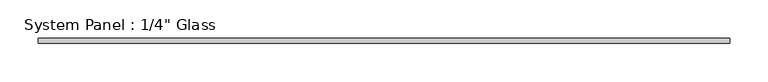
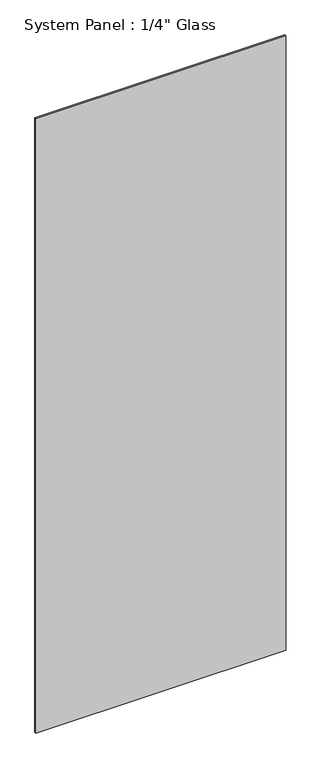
"""IFC4 building model written with IfcOpenShell, lengths in millimetres: plate geometry."""

import ifcopenshell
import ifcopenshell.guid

model = None  # the IFC model being written
_history = None  # IfcOwnerHistory: only IFC2X3 demands one
_inside = {}  # id of a spatial element -> (the spatial element, [elements in it])
_under = {}  # id of a project, library or spatial element -> (it, [spatial elements below it])
_declared = {}  # id of a project -> (the project, [libraries it declares])
_typed = {}  # id of a type object -> (the type object, [elements of that type])
_made_of = {}  # id of a material, layer set ... -> (it, [elements and type objects made of it])


def new_model(schema):
    """Start an empty IFC model of exactly this schema.

    Asked for "IFC4X3", IfcOpenShell would pick the latest addendum, in which some entities
    have other attributes; the version numbers below select the first issue.
    IFC2X3 requires an IfcOwnerHistory on every rooted entity: one is made here for all.
    """
    global model, _history
    if schema == "IFC4X3":
        model = ifcopenshell.file(schema_version=(4, 3, 0, 0))
    else:
        model = ifcopenshell.file(schema=schema)
    _inside.clear()
    _under.clear()
    _declared.clear()
    _typed.clear()
    _made_of.clear()
    _history = None
    if model.schema == "IFC2X3":
        org = make("IfcOrganization", Name="unknown")
        user = make(
            "IfcPersonAndOrganization",
            ThePerson=make("IfcPerson", FamilyName="unknown"),
            TheOrganization=org,
        )
        app = make(
            "IfcApplication",
            ApplicationDeveloper=org,
            Version="unknown",
            ApplicationFullName="unknown",
            ApplicationIdentifier="unknown",
        )
        _history = make(
            "IfcOwnerHistory",
            OwningUser=user,
            OwningApplication=app,
            ChangeAction="ADDED",
            CreationDate=0,
        )
    return model


def make(cls, **values):
    """One entity of the class cls with the attributes given. An attribute that is None is left unset."""
    return model.create_entity(
        cls, **{name: value for name, value in values.items() if value is not None}
    )


def rooted(cls, **values):
    """An entity with a GlobalId (a new one), such as an element, a storey or a relation."""
    return make(cls, GlobalId=ifcopenshell.guid.new(), OwnerHistory=_history, **values)


def si_unit(unit_type, name, prefix=None):
    """IfcSIUnit, for example si_unit("LENGTHUNIT", "METRE", prefix="MILLI")."""
    return make("IfcSIUnit", UnitType=unit_type, Prefix=prefix, Name=name)


def assignment(units):
    """IfcUnitAssignment: the units of a project."""
    return None if units is None else make("IfcUnitAssignment", Units=units)


def point(xyz):
    """IfcCartesianPoint."""
    return None if xyz is None else make("IfcCartesianPoint", Coordinates=xyz)


def direction(xyz):
    """IfcDirection."""
    return None if xyz is None else make("IfcDirection", DirectionRatios=xyz)


def frame(location, z_axis=None, x_axis=None):
    """IfcAxis2Placement3D, a coordinate frame: its origin and axes. An axis left out is left unset."""
    return make(
        "IfcAxis2Placement3D",
        Location=point(location),
        Axis=direction(z_axis),
        RefDirection=direction(x_axis),
    )


def origin():
    """The frame at (0, 0, 0) with its axes left unset."""
    return frame((0.0, 0.0, 0.0))


def origin_with_axes():
    """The frame at (0, 0, 0) with the z axis (0, 0, 1) and the x axis (1, 0, 0) written out."""
    return frame((0.0, 0.0, 0.0), z_axis=(0.0, 0.0, 1.0), x_axis=(1.0, 0.0, 0.0))


def place(relative_to, where):
    """IfcLocalPlacement: puts the frame where relative to a parent placement (None: the world)."""
    return make(
        "IfcLocalPlacement", PlacementRelTo=relative_to, RelativePlacement=where
    )


def context(
    kind, dimensions, precision=None, world=None, true_north=None, identifier=None
):
    """IfcGeometricRepresentationContext, for example the 3D "Model" context."""
    return make(
        "IfcGeometricRepresentationContext",
        ContextIdentifier=identifier,
        ContextType=kind,
        CoordinateSpaceDimension=dimensions,
        Precision=precision,
        WorldCoordinateSystem=world,
        TrueNorth=true_north,
    )


def project(units=None, contexts=None):
    """IfcProject with its units and contexts."""
    return rooted(
        "IfcProject",
        Name="project",
        RepresentationContexts=contexts,
        UnitsInContext=assignment(units),
    )


def spatial(cls, under=None, at=None, **own):
    """A site, building, storey or space (cls), placed at a placement, below another one or the project."""
    s = rooted(cls, ObjectPlacement=at, **own)
    if under is not None:
        _under.setdefault(under.id(), (under, []))[1].append(s)
    return s


def polyline(points):
    """IfcPolyline through the points."""
    return make("IfcPolyline", Points=[point(p) for p in points])


def outline(outer, holes=None, kind="AREA"):
    """IfcArbitraryClosedProfileDef: a profile drawn as a closed curve; with holes, ...WithVoids."""
    if holes is None:
        return make("IfcArbitraryClosedProfileDef", ProfileType=kind, OuterCurve=outer)
    return make(
        "IfcArbitraryProfileDefWithVoids",
        ProfileType=kind,
        OuterCurve=outer,
        InnerCurves=holes,
    )


def extrude(swept, where, along, depth):
    """IfcExtrudedAreaSolid: the profile swept, set in the frame where, extruded along a direction by depth."""
    return make(
        "IfcExtrudedAreaSolid",
        SweptArea=swept,
        Position=where,
        ExtrudedDirection=direction(along),
        Depth=depth,
    )


def shape(context_of_items, identifier, shape_type, items):
    """IfcShapeRepresentation: the items that make up one representation, for example the "Body"."""
    return make(
        "IfcShapeRepresentation",
        ContextOfItems=context_of_items,
        RepresentationIdentifier=identifier,
        RepresentationType=shape_type,
        Items=items,
    )


def source(mapping_origin, context_of_items, identifier, shape_type, items):
    """IfcRepresentationMap: a shape defined once, which mapped items show again and again."""
    return make(
        "IfcRepresentationMap",
        MappingOrigin=mapping_origin,
        MappedRepresentation=shape(context_of_items, identifier, shape_type, items),
    )


def transform(
    local_origin,
    x_axis=None,
    y_axis=None,
    z_axis=None,
    scale=None,
    scale2=None,
    scale3=None,
    uniform=True,
):
    """IfcCartesianTransformationOperator3D, or its non-uniform kind. x_axis, y_axis, z_axis: its Axis1, 2, 3."""
    if uniform:
        return make(
            "IfcCartesianTransformationOperator3D",
            Axis1=direction(x_axis),
            Axis2=direction(y_axis),
            LocalOrigin=point(local_origin),
            Scale=scale,
            Axis3=direction(z_axis),
        )
    return make(
        "IfcCartesianTransformationOperator3DnonUniform",
        Axis1=direction(x_axis),
        Axis2=direction(y_axis),
        LocalOrigin=point(local_origin),
        Scale=scale,
        Axis3=direction(z_axis),
        Scale2=scale2,
        Scale3=scale3,
    )


def mapped(mapping_source, mapping_target):
    """IfcMappedItem: shows the shape of a source again, moved by a transform."""
    return make(
        "IfcMappedItem", MappingSource=mapping_source, MappingTarget=mapping_target
    )


def made_of(thing, what):
    """Note that an element or type object is made of a material, layer set ...; save() writes the relation."""
    if what is not None:
        _made_of.setdefault(what.id(), (what, []))[1].append(thing)
    return thing


def element(
    cls,
    number,
    at=None,
    inside=None,
    cuts=None,
    type_object=None,
    material=None,
    context=None,
    identifier="Body",
    shape_type=None,
    held_by="IfcProductDefinitionShape",
    body=None,
    shapes=None,
    **own,
):
    """One element of the class cls, such as IfcWall. Its Tag is "e" and its number.

    at: its placement. inside: the storey or other place that contains it. cuts: it is an
    opening in that element (IfcRelVoidsElement). A single representation is given by context,
    identifier, shape_type and body (its items); several are given by shapes. held_by: the class
    of the entity that holds the representations. save() writes the other relations.
    """
    e = rooted(cls, Tag="e%d" % number, ObjectPlacement=at, **own)
    if body is not None:
        shapes = [shape(context, identifier, shape_type, body)]
    if shapes is not None:
        e.Representation = make(held_by, Representations=shapes)
    if inside is not None:
        _inside.setdefault(inside.id(), (inside, []))[1].append(e)
    if cuts is not None:
        rooted(
            "IfcRelVoidsElement", RelatingBuildingElement=cuts, RelatedOpeningElement=e
        )
    if type_object is not None:
        _typed.setdefault(type_object.id(), (type_object, []))[1].append(e)
    return made_of(e, material)


def aggregate(whole, parts):
    """IfcRelAggregates: a whole, such as a stair, and the parts it consists of."""
    return rooted("IfcRelAggregates", RelatingObject=whole, RelatedObjects=parts)


def save(model, path):
    """Write the relations noted so far, then the file.

    IfcRelAggregates (storeys below a building ...), IfcRelContainedInSpatialStructure (elements
    in a storey), IfcRelDefinesByType, IfcRelAssociatesMaterial and IfcRelDeclares: one each for
    every whole, place, type object, material and project.
    """
    for whole, parts in _under.values():
        aggregate(whole, parts)
    for where, things in _inside.values():
        rooted(
            "IfcRelContainedInSpatialStructure",
            RelatedElements=things,
            RelatingStructure=where,
        )
    for kind, things in _typed.values():
        rooted("IfcRelDefinesByType", RelatedObjects=things, RelatingType=kind)
    for what, things in _made_of.values():
        rooted("IfcRelAssociatesMaterial", RelatedObjects=things, RelatingMaterial=what)
    for by, libraries in _declared.values():
        rooted("IfcRelDeclares", RelatingContext=by, RelatedDefinitions=libraries)
    model.write(path)


def plate_fe1a4fe7(model_context):
    return source(origin(), model_context, "Body", "SweptSolid", [
        extrude(outline(polyline([(452.4375, -3.175), (-452.4375, -3.175), (-452.4375, 3.175), (452.4375, 3.175), (452.4375, -3.175)])), origin_with_axes(), (0.0, 0.0, 1.0), 2352.675),
    ])


if __name__ == "__main__":
    model = new_model("IFC4")
    model_context = context("Model", 3, world=origin())
    ifc_project = project(units=[si_unit("LENGTHUNIT", "METRE", prefix="MILLI")], contexts=[model_context])
    site = spatial("IfcSite", under=ifc_project)
    building = spatial("IfcBuilding", under=site)
    placement = place(None, origin())
    plate_shape = plate_fe1a4fe7(model_context)
    element("IfcPlate", 1, ObjectType="System Panel : 1/4\" Glass", at=placement, inside=building, context=model_context, shape_type="MappedRepresentation", body=[
        mapped(plate_shape, transform((0.0, 0.0, 0.0), x_axis=(1.0, 0.0, 0.0), y_axis=(0.0, 1.0, 0.0), z_axis=(0.0, 0.0, 1.0))),
    ])
    save(model, "model.ifc")
